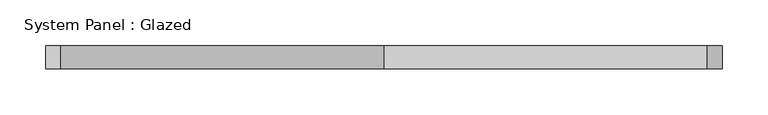
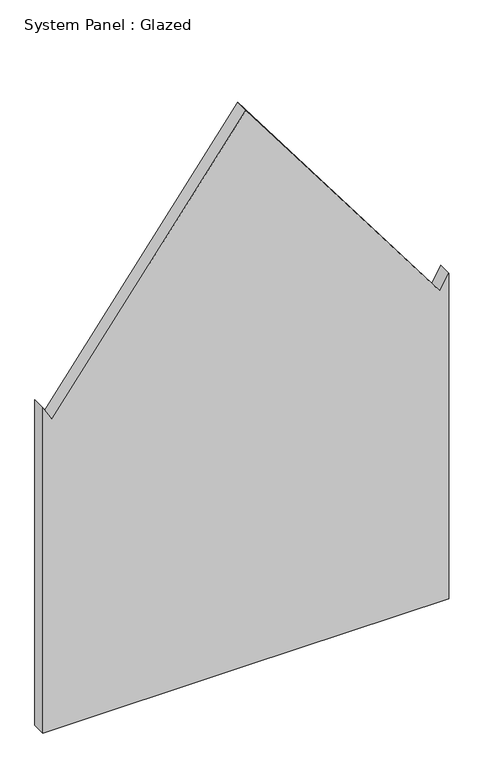
"""IFC4 building model written with IfcOpenShell, lengths in millimetres: plate geometry, System Panel : Glazed."""

from ifc_helpers import new_model, si_unit, point, frame, frame_2d, origin, place, context, project, spatial, polyline, circle_curve, trimmed, segment, composite_curve, outline, extrude, source, transform, mapped, element, save


def system_panel_glazed_4dd00d72(model_context):
    return source(origin(), model_context, "Body", "SweptSolid", [
        extrude(outline(composite_curve([segment(polyline([(0.0, -368.7735115), (0.0, 0.0), (0.0, 368.7735115), (625.0388209, 368.7735115), (596.8215686, 352.4965606)]), True, "CONTINUOUS"), segment(trimmed(circle_curve(frame_2d((-3276.8533559, -5314.0186607)), 6864.0186607), [point((596.8215686, 352.4965606))], [point((1067.7936778, 0.0))], False, "CARTESIAN"), True, "CONTINUOUS"), segment(trimmed(circle_curve(frame_2d((-3276.8533559, 5314.0186607)), 6864.0186607), [point((1067.7936778, 0.0))], [point((596.8215686, -352.4965606))], False, "CARTESIAN"), True, "CONTINUOUS"), segment(polyline([(596.8215686, -352.4965606), (625.0388209, -368.7735115), (0.0, -368.7735115)]), True, "CONTINUOUS")], self_intersect=False)), frame((0.0, 24.5, 0.0), z_axis=(0.0, 1.0, 0.0), x_axis=(0.0, 0.0, 1.0)), (0.0, 0.0, 1.0), 25.0),
    ])


if __name__ == "__main__":
    model = new_model("IFC4")
    model_context = context("Model", 3, world=origin())
    ifc_project = project(units=[si_unit("LENGTHUNIT", "METRE", prefix="MILLI")], contexts=[model_context])
    site = spatial("IfcSite", under=ifc_project)
    building = spatial("IfcBuilding", under=site)
    placement = place(None, origin())
    system_panel_glazed_shape = system_panel_glazed_4dd00d72(model_context)
    element("IfcPlate", 1, ObjectType="System Panel : Glazed", at=placement, inside=building, context=model_context, shape_type="MappedRepresentation", body=[
        mapped(system_panel_glazed_shape, transform((0.0, 0.0, 0.0), x_axis=(1.0, 0.0, 0.0), y_axis=(0.0, 1.0, 0.0), z_axis=(0.0, 0.0, 1.0))),
    ])
    save(model, "model.ifc")
